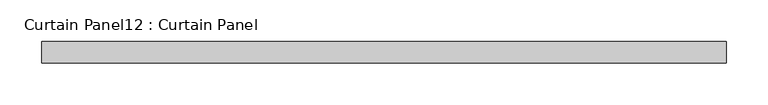
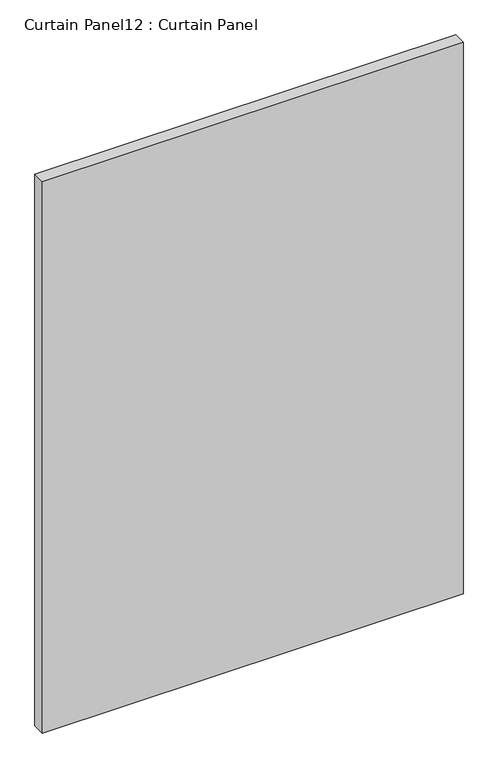
"""IFC4 building model written with IfcOpenShell, lengths in millimetres: plate geometry, Curtain Panel12 : Curtain Panel."""

from ifc_helpers import new_model, si_unit, frame, origin, place, context, project, spatial, polyline, outline, extrude, source, transform, mapped, element, save


def curtain_panel12_curtain_panel_cec562ee(model_context):
    return source(origin(), model_context, "Body", "SweptSolid", [
        extrude(outline(polyline([(-52509.7195479, -2015.4148911), (-53325.8469475, -2015.4148911), (-53325.8469475, -1990.0148911), (-52509.7195479, -1990.0148911), (-52509.7195479, -2015.4148911)])), frame((0.0, 0.0, 54.7624), z_axis=(0.0, 0.0, 1.0), x_axis=(1.0, 0.0, 0.0)), (0.0, 0.0, 1.0), 1131.1114999),
    ])


if __name__ == "__main__":
    model = new_model("IFC4")
    model_context = context("Model", 3, world=origin())
    ifc_project = project(units=[si_unit("LENGTHUNIT", "METRE", prefix="MILLI")], contexts=[model_context])
    site = spatial("IfcSite", under=ifc_project)
    building = spatial("IfcBuilding", under=site)
    placement = place(None, origin())
    curtain_panel12_curtain_panel_shape = curtain_panel12_curtain_panel_cec562ee(model_context)
    element("IfcPlate", 1, ObjectType="Curtain Panel12 : Curtain Panel", at=placement, inside=building, context=model_context, shape_type="MappedRepresentation", body=[
        mapped(curtain_panel12_curtain_panel_shape, transform((0.0, 0.0, 0.0), x_axis=(1.0, 0.0, 0.0), y_axis=(0.0, 1.0, 0.0), z_axis=(0.0, 0.0, 1.0))),
    ])
    save(model, "model.ifc")
